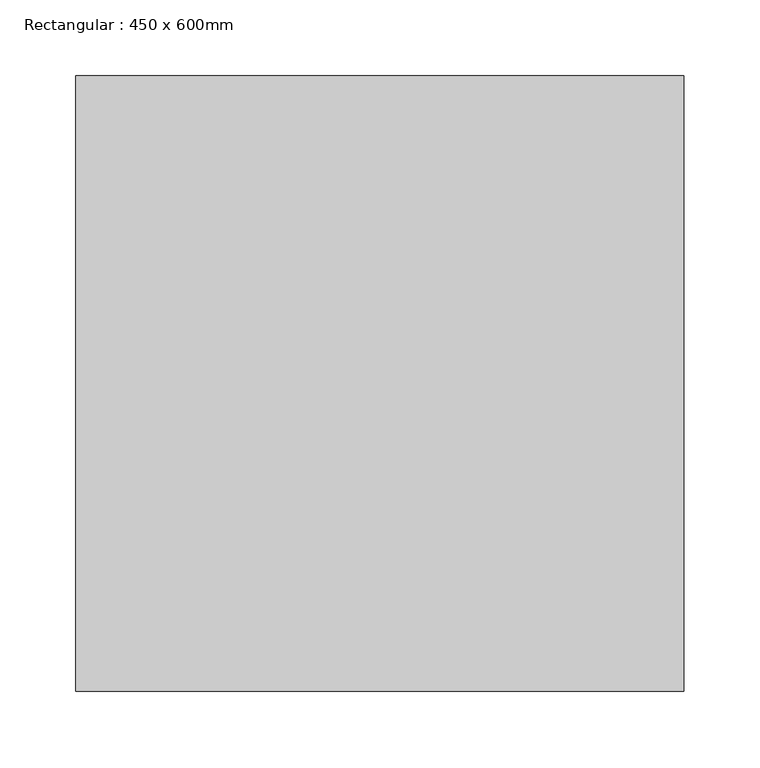
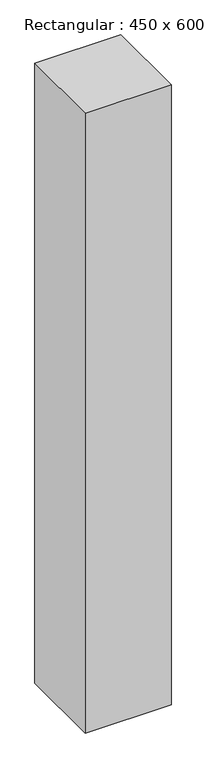
"""IFC4 building model written with IfcOpenShell, lengths in millimetres: column geometry, Rectangular : 450 x 600mm."""

import ifcopenshell
import ifcopenshell.guid

model = None  # the IFC model being written
_history = None  # IfcOwnerHistory: only IFC2X3 demands one
_inside = {}  # id of a spatial element -> (the spatial element, [elements in it])
_under = {}  # id of a project, library or spatial element -> (it, [spatial elements below it])
_declared = {}  # id of a project -> (the project, [libraries it declares])
_typed = {}  # id of a type object -> (the type object, [elements of that type])
_made_of = {}  # id of a material, layer set ... -> (it, [elements and type objects made of it])


def new_model(schema):
    """Start an empty IFC model of exactly this schema.

    Asked for "IFC4X3", IfcOpenShell would pick the latest addendum, in which some entities
    have other attributes; the version numbers below select the first issue.
    IFC2X3 requires an IfcOwnerHistory on every rooted entity: one is made here for all.
    """
    global model, _history
    if schema == "IFC4X3":
        model = ifcopenshell.file(schema_version=(4, 3, 0, 0))
    else:
        model = ifcopenshell.file(schema=schema)
    _inside.clear()
    _under.clear()
    _declared.clear()
    _typed.clear()
    _made_of.clear()
    _history = None
    if model.schema == "IFC2X3":
        org = make("IfcOrganization", Name="unknown")
        user = make(
            "IfcPersonAndOrganization",
            ThePerson=make("IfcPerson", FamilyName="unknown"),
            TheOrganization=org,
        )
        app = make(
            "IfcApplication",
            ApplicationDeveloper=org,
            Version="unknown",
            ApplicationFullName="unknown",
            ApplicationIdentifier="unknown",
        )
        _history = make(
            "IfcOwnerHistory",
            OwningUser=user,
            OwningApplication=app,
            ChangeAction="ADDED",
            CreationDate=0,
        )
    return model


def make(cls, **values):
    """One entity of the class cls with the attributes given. An attribute that is None is left unset."""
    return model.create_entity(
        cls, **{name: value for name, value in values.items() if value is not None}
    )


def rooted(cls, **values):
    """An entity with a GlobalId (a new one), such as an element, a storey or a relation."""
    return make(cls, GlobalId=ifcopenshell.guid.new(), OwnerHistory=_history, **values)


def si_unit(unit_type, name, prefix=None):
    """IfcSIUnit, for example si_unit("LENGTHUNIT", "METRE", prefix="MILLI")."""
    return make("IfcSIUnit", UnitType=unit_type, Prefix=prefix, Name=name)


def assignment(units):
    """IfcUnitAssignment: the units of a project."""
    return None if units is None else make("IfcUnitAssignment", Units=units)


def point(xyz):
    """IfcCartesianPoint."""
    return None if xyz is None else make("IfcCartesianPoint", Coordinates=xyz)


def direction(xyz):
    """IfcDirection."""
    return None if xyz is None else make("IfcDirection", DirectionRatios=xyz)


def frame(location, z_axis=None, x_axis=None):
    """IfcAxis2Placement3D, a coordinate frame: its origin and axes. An axis left out is left unset."""
    return make(
        "IfcAxis2Placement3D",
        Location=point(location),
        Axis=direction(z_axis),
        RefDirection=direction(x_axis),
    )


def origin():
    """The frame at (0, 0, 0) with its axes left unset."""
    return frame((0.0, 0.0, 0.0))


def place(relative_to, where):
    """IfcLocalPlacement: puts the frame where relative to a parent placement (None: the world)."""
    return make(
        "IfcLocalPlacement", PlacementRelTo=relative_to, RelativePlacement=where
    )


def context(
    kind, dimensions, precision=None, world=None, true_north=None, identifier=None
):
    """IfcGeometricRepresentationContext, for example the 3D "Model" context."""
    return make(
        "IfcGeometricRepresentationContext",
        ContextIdentifier=identifier,
        ContextType=kind,
        CoordinateSpaceDimension=dimensions,
        Precision=precision,
        WorldCoordinateSystem=world,
        TrueNorth=true_north,
    )


def project(units=None, contexts=None):
    """IfcProject with its units and contexts."""
    return rooted(
        "IfcProject",
        Name="project",
        RepresentationContexts=contexts,
        UnitsInContext=assignment(units),
    )


def spatial(cls, under=None, at=None, **own):
    """A site, building, storey or space (cls), placed at a placement, below another one or the project."""
    s = rooted(cls, ObjectPlacement=at, **own)
    if under is not None:
        _under.setdefault(under.id(), (under, []))[1].append(s)
    return s


def polyline(points):
    """IfcPolyline through the points."""
    return make("IfcPolyline", Points=[point(p) for p in points])


def outline(outer, holes=None, kind="AREA"):
    """IfcArbitraryClosedProfileDef: a profile drawn as a closed curve; with holes, ...WithVoids."""
    if holes is None:
        return make("IfcArbitraryClosedProfileDef", ProfileType=kind, OuterCurve=outer)
    return make(
        "IfcArbitraryProfileDefWithVoids",
        ProfileType=kind,
        OuterCurve=outer,
        InnerCurves=holes,
    )


def extrude(swept, where, along, depth):
    """IfcExtrudedAreaSolid: the profile swept, set in the frame where, extruded along a direction by depth."""
    return make(
        "IfcExtrudedAreaSolid",
        SweptArea=swept,
        Position=where,
        ExtrudedDirection=direction(along),
        Depth=depth,
    )


def shape(context_of_items, identifier, shape_type, items):
    """IfcShapeRepresentation: the items that make up one representation, for example the "Body"."""
    return make(
        "IfcShapeRepresentation",
        ContextOfItems=context_of_items,
        RepresentationIdentifier=identifier,
        RepresentationType=shape_type,
        Items=items,
    )


def source(mapping_origin, context_of_items, identifier, shape_type, items):
    """IfcRepresentationMap: a shape defined once, which mapped items show again and again."""
    return make(
        "IfcRepresentationMap",
        MappingOrigin=mapping_origin,
        MappedRepresentation=shape(context_of_items, identifier, shape_type, items),
    )


def transform(
    local_origin,
    x_axis=None,
    y_axis=None,
    z_axis=None,
    scale=None,
    scale2=None,
    scale3=None,
    uniform=True,
):
    """IfcCartesianTransformationOperator3D, or its non-uniform kind. x_axis, y_axis, z_axis: its Axis1, 2, 3."""
    if uniform:
        return make(
            "IfcCartesianTransformationOperator3D",
            Axis1=direction(x_axis),
            Axis2=direction(y_axis),
            LocalOrigin=point(local_origin),
            Scale=scale,
            Axis3=direction(z_axis),
        )
    return make(
        "IfcCartesianTransformationOperator3DnonUniform",
        Axis1=direction(x_axis),
        Axis2=direction(y_axis),
        LocalOrigin=point(local_origin),
        Scale=scale,
        Axis3=direction(z_axis),
        Scale2=scale2,
        Scale3=scale3,
    )


def mapped(mapping_source, mapping_target):
    """IfcMappedItem: shows the shape of a source again, moved by a transform."""
    return make(
        "IfcMappedItem", MappingSource=mapping_source, MappingTarget=mapping_target
    )


def made_of(thing, what):
    """Note that an element or type object is made of a material, layer set ...; save() writes the relation."""
    if what is not None:
        _made_of.setdefault(what.id(), (what, []))[1].append(thing)
    return thing


def element(
    cls,
    number,
    at=None,
    inside=None,
    cuts=None,
    type_object=None,
    material=None,
    context=None,
    identifier="Body",
    shape_type=None,
    held_by="IfcProductDefinitionShape",
    body=None,
    shapes=None,
    **own,
):
    """One element of the class cls, such as IfcWall. Its Tag is "e" and its number.

    at: its placement. inside: the storey or other place that contains it. cuts: it is an
    opening in that element (IfcRelVoidsElement). A single representation is given by context,
    identifier, shape_type and body (its items); several are given by shapes. held_by: the class
    of the entity that holds the representations. save() writes the other relations.
    """
    e = rooted(cls, Tag="e%d" % number, ObjectPlacement=at, **own)
    if body is not None:
        shapes = [shape(context, identifier, shape_type, body)]
    if shapes is not None:
        e.Representation = make(held_by, Representations=shapes)
    if inside is not None:
        _inside.setdefault(inside.id(), (inside, []))[1].append(e)
    if cuts is not None:
        rooted(
            "IfcRelVoidsElement", RelatingBuildingElement=cuts, RelatedOpeningElement=e
        )
    if type_object is not None:
        _typed.setdefault(type_object.id(), (type_object, []))[1].append(e)
    return made_of(e, material)


def aggregate(whole, parts):
    """IfcRelAggregates: a whole, such as a stair, and the parts it consists of."""
    return rooted("IfcRelAggregates", RelatingObject=whole, RelatedObjects=parts)


def save(model, path):
    """Write the relations noted so far, then the file.

    IfcRelAggregates (storeys below a building ...), IfcRelContainedInSpatialStructure (elements
    in a storey), IfcRelDefinesByType, IfcRelAssociatesMaterial and IfcRelDeclares: one each for
    every whole, place, type object, material and project.
    """
    for whole, parts in _under.values():
        aggregate(whole, parts)
    for where, things in _inside.values():
        rooted(
            "IfcRelContainedInSpatialStructure",
            RelatedElements=things,
            RelatingStructure=where,
        )
    for kind, things in _typed.values():
        rooted("IfcRelDefinesByType", RelatedObjects=things, RelatingType=kind)
    for what, things in _made_of.values():
        rooted("IfcRelAssociatesMaterial", RelatedObjects=things, RelatingMaterial=what)
    for by, libraries in _declared.values():
        rooted("IfcRelDeclares", RelatingContext=by, RelatedDefinitions=libraries)
    model.write(path)


def rectangular_450_x_600mm_01d4dde6(model_context):
    return source(origin(), model_context, "Body", "SweptSolid", [
        extrude(outline(polyline([(200.0, 205.0), (200.0, -200.0), (-200.0, -200.0), (-200.0, 205.0), (200.0, 205.0)])), frame((0.0, 0.0, 3040.0), z_axis=(0.0, 0.0, 1.0), x_axis=(1.0, 0.0, 0.0)), (0.0, 0.0, 1.0), 3050.0),
    ])


if __name__ == "__main__":
    model = new_model("IFC4")
    model_context = context("Model", 3, world=origin())
    ifc_project = project(units=[si_unit("LENGTHUNIT", "METRE", prefix="MILLI")], contexts=[model_context])
    site = spatial("IfcSite", under=ifc_project)
    building = spatial("IfcBuilding", under=site)
    placement = place(None, origin())
    rectangular_450_x_600mm_shape = rectangular_450_x_600mm_01d4dde6(model_context)
    element("IfcColumn", 1, ObjectType="Rectangular : 450 x 600mm", at=placement, inside=building, context=model_context, shape_type="MappedRepresentation", body=[
        mapped(rectangular_450_x_600mm_shape, transform((0.0, 0.0, 0.0), x_axis=(1.0, 0.0, 0.0), y_axis=(0.0, 1.0, 0.0), z_axis=(0.0, 0.0, 1.0))),
    ])
    save(model, "model.ifc")
